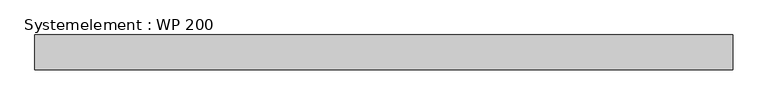
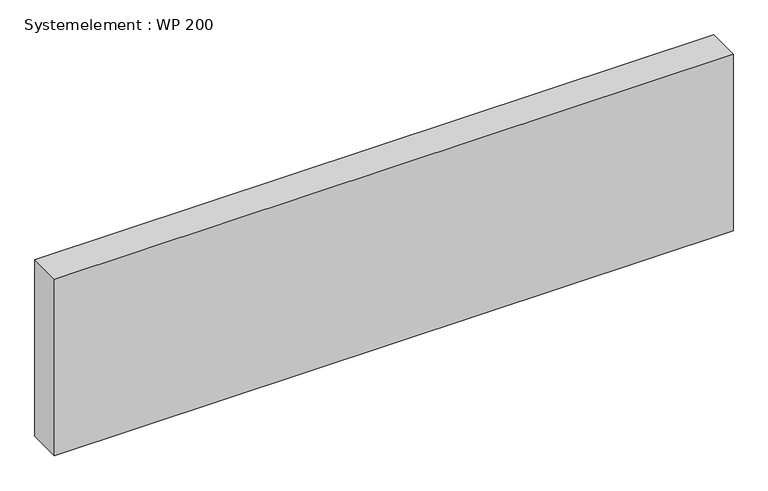
"""IFC4 building model written with IfcOpenShell, lengths in millimetres: plate geometry, Systemelement : WP 200."""

import ifcopenshell
import ifcopenshell.guid

model = None  # the IFC model being written
_history = None  # IfcOwnerHistory: only IFC2X3 demands one
_inside = {}  # id of a spatial element -> (the spatial element, [elements in it])
_under = {}  # id of a project, library or spatial element -> (it, [spatial elements below it])
_declared = {}  # id of a project -> (the project, [libraries it declares])
_typed = {}  # id of a type object -> (the type object, [elements of that type])
_made_of = {}  # id of a material, layer set ... -> (it, [elements and type objects made of it])


def new_model(schema):
    """Start an empty IFC model of exactly this schema.

    Asked for "IFC4X3", IfcOpenShell would pick the latest addendum, in which some entities
    have other attributes; the version numbers below select the first issue.
    IFC2X3 requires an IfcOwnerHistory on every rooted entity: one is made here for all.
    """
    global model, _history
    if schema == "IFC4X3":
        model = ifcopenshell.file(schema_version=(4, 3, 0, 0))
    else:
        model = ifcopenshell.file(schema=schema)
    _inside.clear()
    _under.clear()
    _declared.clear()
    _typed.clear()
    _made_of.clear()
    _history = None
    if model.schema == "IFC2X3":
        org = make("IfcOrganization", Name="unknown")
        user = make(
            "IfcPersonAndOrganization",
            ThePerson=make("IfcPerson", FamilyName="unknown"),
            TheOrganization=org,
        )
        app = make(
            "IfcApplication",
            ApplicationDeveloper=org,
            Version="unknown",
            ApplicationFullName="unknown",
            ApplicationIdentifier="unknown",
        )
        _history = make(
            "IfcOwnerHistory",
            OwningUser=user,
            OwningApplication=app,
            ChangeAction="ADDED",
            CreationDate=0,
        )
    return model


def make(cls, **values):
    """One entity of the class cls with the attributes given. An attribute that is None is left unset."""
    return model.create_entity(
        cls, **{name: value for name, value in values.items() if value is not None}
    )


def rooted(cls, **values):
    """An entity with a GlobalId (a new one), such as an element, a storey or a relation."""
    return make(cls, GlobalId=ifcopenshell.guid.new(), OwnerHistory=_history, **values)


def si_unit(unit_type, name, prefix=None):
    """IfcSIUnit, for example si_unit("LENGTHUNIT", "METRE", prefix="MILLI")."""
    return make("IfcSIUnit", UnitType=unit_type, Prefix=prefix, Name=name)


def assignment(units):
    """IfcUnitAssignment: the units of a project."""
    return None if units is None else make("IfcUnitAssignment", Units=units)


def point(xyz):
    """IfcCartesianPoint."""
    return None if xyz is None else make("IfcCartesianPoint", Coordinates=xyz)


def direction(xyz):
    """IfcDirection."""
    return None if xyz is None else make("IfcDirection", DirectionRatios=xyz)


def frame(location, z_axis=None, x_axis=None):
    """IfcAxis2Placement3D, a coordinate frame: its origin and axes. An axis left out is left unset."""
    return make(
        "IfcAxis2Placement3D",
        Location=point(location),
        Axis=direction(z_axis),
        RefDirection=direction(x_axis),
    )


def origin():
    """The frame at (0, 0, 0) with its axes left unset."""
    return frame((0.0, 0.0, 0.0))


def origin_with_axes():
    """The frame at (0, 0, 0) with the z axis (0, 0, 1) and the x axis (1, 0, 0) written out."""
    return frame((0.0, 0.0, 0.0), z_axis=(0.0, 0.0, 1.0), x_axis=(1.0, 0.0, 0.0))


def place(relative_to, where):
    """IfcLocalPlacement: puts the frame where relative to a parent placement (None: the world)."""
    return make(
        "IfcLocalPlacement", PlacementRelTo=relative_to, RelativePlacement=where
    )


def context(
    kind, dimensions, precision=None, world=None, true_north=None, identifier=None
):
    """IfcGeometricRepresentationContext, for example the 3D "Model" context."""
    return make(
        "IfcGeometricRepresentationContext",
        ContextIdentifier=identifier,
        ContextType=kind,
        CoordinateSpaceDimension=dimensions,
        Precision=precision,
        WorldCoordinateSystem=world,
        TrueNorth=true_north,
    )


def project(units=None, contexts=None):
    """IfcProject with its units and contexts."""
    return rooted(
        "IfcProject",
        Name="project",
        RepresentationContexts=contexts,
        UnitsInContext=assignment(units),
    )


def spatial(cls, under=None, at=None, **own):
    """A site, building, storey or space (cls), placed at a placement, below another one or the project."""
    s = rooted(cls, ObjectPlacement=at, **own)
    if under is not None:
        _under.setdefault(under.id(), (under, []))[1].append(s)
    return s


def polyline(points):
    """IfcPolyline through the points."""
    return make("IfcPolyline", Points=[point(p) for p in points])


def outline(outer, holes=None, kind="AREA"):
    """IfcArbitraryClosedProfileDef: a profile drawn as a closed curve; with holes, ...WithVoids."""
    if holes is None:
        return make("IfcArbitraryClosedProfileDef", ProfileType=kind, OuterCurve=outer)
    return make(
        "IfcArbitraryProfileDefWithVoids",
        ProfileType=kind,
        OuterCurve=outer,
        InnerCurves=holes,
    )


def extrude(swept, where, along, depth):
    """IfcExtrudedAreaSolid: the profile swept, set in the frame where, extruded along a direction by depth."""
    return make(
        "IfcExtrudedAreaSolid",
        SweptArea=swept,
        Position=where,
        ExtrudedDirection=direction(along),
        Depth=depth,
    )


def shape(context_of_items, identifier, shape_type, items):
    """IfcShapeRepresentation: the items that make up one representation, for example the "Body"."""
    return make(
        "IfcShapeRepresentation",
        ContextOfItems=context_of_items,
        RepresentationIdentifier=identifier,
        RepresentationType=shape_type,
        Items=items,
    )


def source(mapping_origin, context_of_items, identifier, shape_type, items):
    """IfcRepresentationMap: a shape defined once, which mapped items show again and again."""
    return make(
        "IfcRepresentationMap",
        MappingOrigin=mapping_origin,
        MappedRepresentation=shape(context_of_items, identifier, shape_type, items),
    )


def transform(
    local_origin,
    x_axis=None,
    y_axis=None,
    z_axis=None,
    scale=None,
    scale2=None,
    scale3=None,
    uniform=True,
):
    """IfcCartesianTransformationOperator3D, or its non-uniform kind. x_axis, y_axis, z_axis: its Axis1, 2, 3."""
    if uniform:
        return make(
            "IfcCartesianTransformationOperator3D",
            Axis1=direction(x_axis),
            Axis2=direction(y_axis),
            LocalOrigin=point(local_origin),
            Scale=scale,
            Axis3=direction(z_axis),
        )
    return make(
        "IfcCartesianTransformationOperator3DnonUniform",
        Axis1=direction(x_axis),
        Axis2=direction(y_axis),
        LocalOrigin=point(local_origin),
        Scale=scale,
        Axis3=direction(z_axis),
        Scale2=scale2,
        Scale3=scale3,
    )


def mapped(mapping_source, mapping_target):
    """IfcMappedItem: shows the shape of a source again, moved by a transform."""
    return make(
        "IfcMappedItem", MappingSource=mapping_source, MappingTarget=mapping_target
    )


def made_of(thing, what):
    """Note that an element or type object is made of a material, layer set ...; save() writes the relation."""
    if what is not None:
        _made_of.setdefault(what.id(), (what, []))[1].append(thing)
    return thing


def element(
    cls,
    number,
    at=None,
    inside=None,
    cuts=None,
    type_object=None,
    material=None,
    context=None,
    identifier="Body",
    shape_type=None,
    held_by="IfcProductDefinitionShape",
    body=None,
    shapes=None,
    **own,
):
    """One element of the class cls, such as IfcWall. Its Tag is "e" and its number.

    at: its placement. inside: the storey or other place that contains it. cuts: it is an
    opening in that element (IfcRelVoidsElement). A single representation is given by context,
    identifier, shape_type and body (its items); several are given by shapes. held_by: the class
    of the entity that holds the representations. save() writes the other relations.
    """
    e = rooted(cls, Tag="e%d" % number, ObjectPlacement=at, **own)
    if body is not None:
        shapes = [shape(context, identifier, shape_type, body)]
    if shapes is not None:
        e.Representation = make(held_by, Representations=shapes)
    if inside is not None:
        _inside.setdefault(inside.id(), (inside, []))[1].append(e)
    if cuts is not None:
        rooted(
            "IfcRelVoidsElement", RelatingBuildingElement=cuts, RelatedOpeningElement=e
        )
    if type_object is not None:
        _typed.setdefault(type_object.id(), (type_object, []))[1].append(e)
    return made_of(e, material)


def aggregate(whole, parts):
    """IfcRelAggregates: a whole, such as a stair, and the parts it consists of."""
    return rooted("IfcRelAggregates", RelatingObject=whole, RelatedObjects=parts)


def save(model, path):
    """Write the relations noted so far, then the file.

    IfcRelAggregates (storeys below a building ...), IfcRelContainedInSpatialStructure (elements
    in a storey), IfcRelDefinesByType, IfcRelAssociatesMaterial and IfcRelDeclares: one each for
    every whole, place, type object, material and project.
    """
    for whole, parts in _under.values():
        aggregate(whole, parts)
    for where, things in _inside.values():
        rooted(
            "IfcRelContainedInSpatialStructure",
            RelatedElements=things,
            RelatingStructure=where,
        )
    for kind, things in _typed.values():
        rooted("IfcRelDefinesByType", RelatedObjects=things, RelatingType=kind)
    for what, things in _made_of.values():
        rooted("IfcRelAssociatesMaterial", RelatedObjects=things, RelatingMaterial=what)
    for by, libraries in _declared.values():
        rooted("IfcRelDeclares", RelatingContext=by, RelatedDefinitions=libraries)
    model.write(path)


def systemelement_wp_200_9ef63260(model_context):
    return source(origin(), model_context, "Body", "SweptSolid", [
        extrude(outline(polyline([(2000.0, -200.0), (-2000.0, -200.0), (-2000.0, 0.0), (2000.0, 0.0), (2000.0, -200.0)])), origin_with_axes(), (0.0, 0.0, 1.0), 1100.0),
    ])


if __name__ == "__main__":
    model = new_model("IFC4")
    model_context = context("Model", 3, world=origin())
    ifc_project = project(units=[si_unit("LENGTHUNIT", "METRE", prefix="MILLI")], contexts=[model_context])
    site = spatial("IfcSite", under=ifc_project)
    building = spatial("IfcBuilding", under=site)
    placement = place(None, origin())
    systemelement_wp_200_shape = systemelement_wp_200_9ef63260(model_context)
    element("IfcPlate", 1, ObjectType="Systemelement : WP 200", at=placement, inside=building, context=model_context, shape_type="MappedRepresentation", body=[
        mapped(systemelement_wp_200_shape, transform((0.0, 0.0, 0.0), x_axis=(1.0, 0.0, 0.0), y_axis=(0.0, 1.0, 0.0), z_axis=(0.0, 0.0, 1.0))),
    ])
    save(model, "model.ifc")
